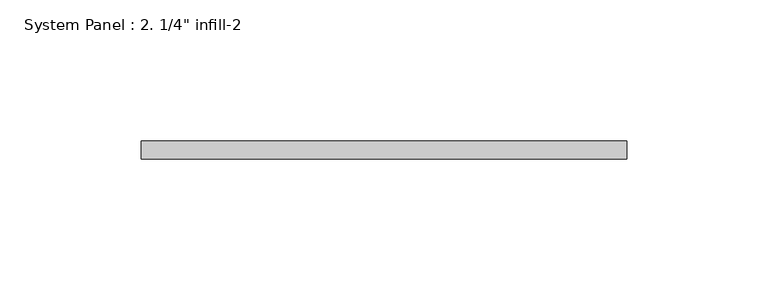
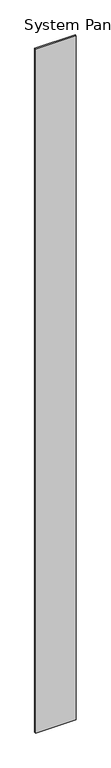
"""IFC4 building model written with IfcOpenShell, lengths in millimetres: plate geometry."""

from ifc_helpers import new_model, si_unit, origin, origin_with_axes, place, context, project, spatial, polyline, outline, extrude, source, transform, mapped, element, save


def plate_203a57b9(model_context):
    return source(origin(), model_context, "Body", "SweptSolid", [
        extrude(outline(polyline([(85.725, 0.0), (-85.725, 0.0), (-85.725, 6.35), (85.725, 6.35), (85.725, 0.0)])), origin_with_axes(), (0.0, 0.0, 1.0), 3048.0),
    ])


if __name__ == "__main__":
    model = new_model("IFC4")
    model_context = context("Model", 3, world=origin())
    ifc_project = project(units=[si_unit("LENGTHUNIT", "METRE", prefix="MILLI")], contexts=[model_context])
    site = spatial("IfcSite", under=ifc_project)
    building = spatial("IfcBuilding", under=site)
    placement = place(None, origin())
    plate_shape = plate_203a57b9(model_context)
    element("IfcPlate", 1, ObjectType="System Panel : 2. 1/4\" infill-2", at=placement, inside=building, context=model_context, shape_type="MappedRepresentation", body=[
        mapped(plate_shape, transform((0.0, 0.0, 0.0), x_axis=(1.0, 0.0, 0.0), y_axis=(0.0, 1.0, 0.0), z_axis=(0.0, 0.0, 1.0))),
    ])
    save(model, "model.ifc")
